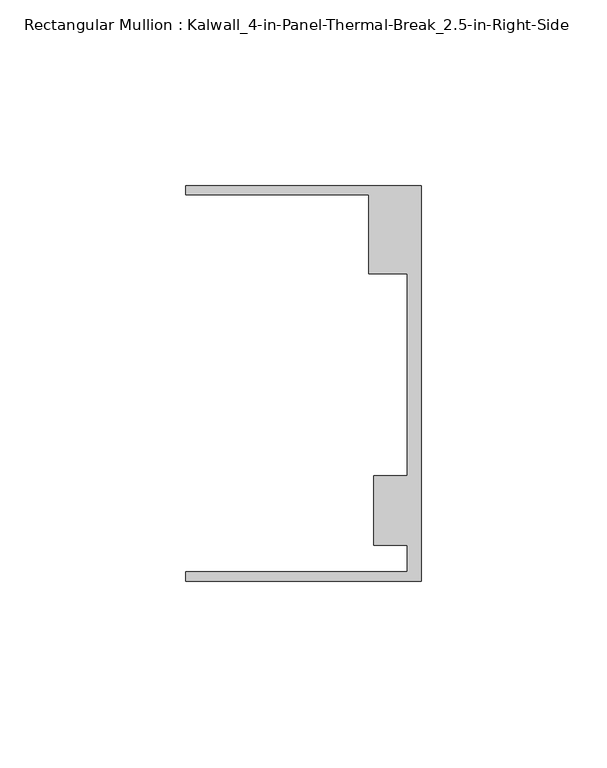
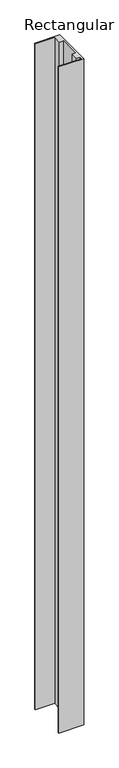
"""IFC4 building model written with IfcOpenShell, lengths in millimetres: member geometry, Rectangular Mullion : Kalwall_4-in-Panel-Thermal-Break_2.5-in-Right-Side."""

from ifc_helpers import new_model, si_unit, frame, origin, place, context, project, spatial, polyline, outline, extrude, source, transform, mapped, element, save


def rectangular_mullion_kalwall_4_in_panel_thermal_break_2_5_in_4c97ed4b(model_context):
    return source(origin(), model_context, "Body", "SweptSolid", [
        extrude(outline(polyline([(0.0, -53.3026386), (-63.5, -53.3026386), (-63.5, -50.7626386), (-3.7084, -50.7626386), (-3.7084, -43.6138568), (-12.8272539, -43.6138568), (-12.8272539, -24.9129886), (-3.7084, -24.9129886), (-3.7084, 29.5648614), (-14.1732, 29.5648614), (-14.1732, 50.8373614), (-63.5, 50.8373614), (-63.5, 53.3773614), (0.0, 53.3773614), (0.0, -53.3026386)])), frame((0.0, 0.0, -1806.575), z_axis=(0.0, 0.0, 1.0), x_axis=(1.0, 0.0, 0.0)), (0.0, 0.0, 1.0), 1806.575),
    ])


if __name__ == "__main__":
    model = new_model("IFC4")
    model_context = context("Model", 3, world=origin())
    ifc_project = project(units=[si_unit("LENGTHUNIT", "METRE", prefix="MILLI")], contexts=[model_context])
    site = spatial("IfcSite", under=ifc_project)
    building = spatial("IfcBuilding", under=site)
    placement = place(None, origin())
    rectangular_mullion_kalwall_4_in_panel_thermal_break_2_5_in_shape = rectangular_mullion_kalwall_4_in_panel_thermal_break_2_5_in_4c97ed4b(model_context)
    element("IfcMember", 1, ObjectType="Rectangular Mullion : Kalwall_4-in-Panel-Thermal-Break_2.5-in-Right-Side", at=placement, inside=building, context=model_context, shape_type="MappedRepresentation", body=[
        mapped(rectangular_mullion_kalwall_4_in_panel_thermal_break_2_5_in_shape, transform((0.0, 0.0, 0.0), x_axis=(1.0, 0.0, 0.0), y_axis=(0.0, 1.0, 0.0), z_axis=(0.0, 0.0, 1.0))),
    ])
    save(model, "model.ifc")
